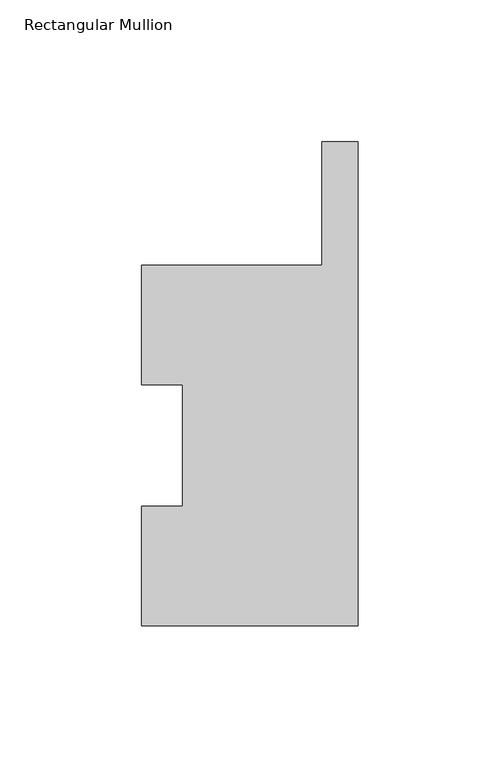
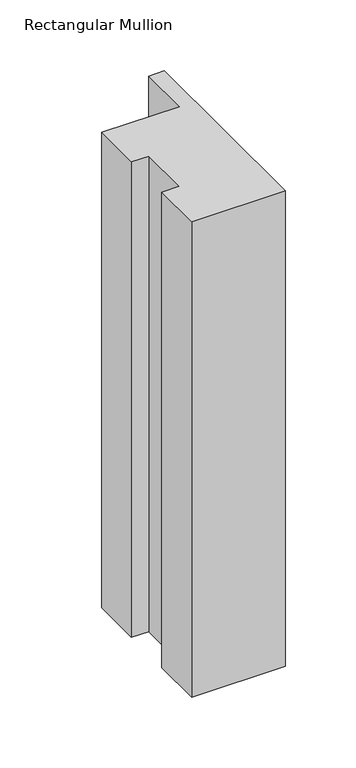
"""IFC4 building model written with IfcOpenShell, lengths in millimetres: member geometry, Rectangular Mullion."""

from ifc_helpers import new_model, si_unit, frame, origin, place, context, project, spatial, polyline, outline, extrude, source, transform, mapped, element, save


def rectangular_mullion_606ccde6(model_context):
    return source(origin(), model_context, "Body", "SweptSolid", [
        extrude(outline(polyline([(-12.7, 127.006348), (-12.7, 170.4246878), (0.0, 170.4246878), (0.0, 0.0063465), (-76.2, 0.0063465), (-76.2, 42.0814491), (-61.9125, 42.0814491), (-61.9125, 84.93125), (-76.2, 84.93125), (-76.2, 127.006348), (-12.7, 127.006348)])), frame((0.0, 0.0, -409.575), z_axis=(0.0, 0.0, 1.0), x_axis=(1.0, 0.0, 0.0)), (0.0, 0.0, 1.0), 409.575),
    ])


if __name__ == "__main__":
    model = new_model("IFC4")
    model_context = context("Model", 3, world=origin())
    ifc_project = project(units=[si_unit("LENGTHUNIT", "METRE", prefix="MILLI")], contexts=[model_context])
    site = spatial("IfcSite", under=ifc_project)
    building = spatial("IfcBuilding", under=site)
    placement = place(None, origin())
    rectangular_mullion_shape = rectangular_mullion_606ccde6(model_context)
    element("IfcMember", 1, ObjectType="Rectangular Mullion", at=placement, inside=building, context=model_context, shape_type="MappedRepresentation", body=[
        mapped(rectangular_mullion_shape, transform((0.0, 0.0, 0.0), x_axis=(1.0, 0.0, 0.0), y_axis=(0.0, 1.0, 0.0), z_axis=(0.0, 0.0, 1.0))),
    ])
    save(model, "model.ifc")
